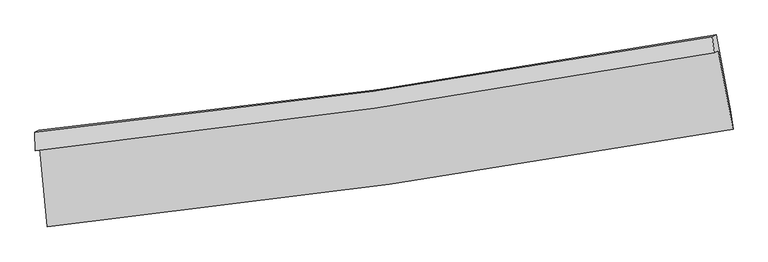
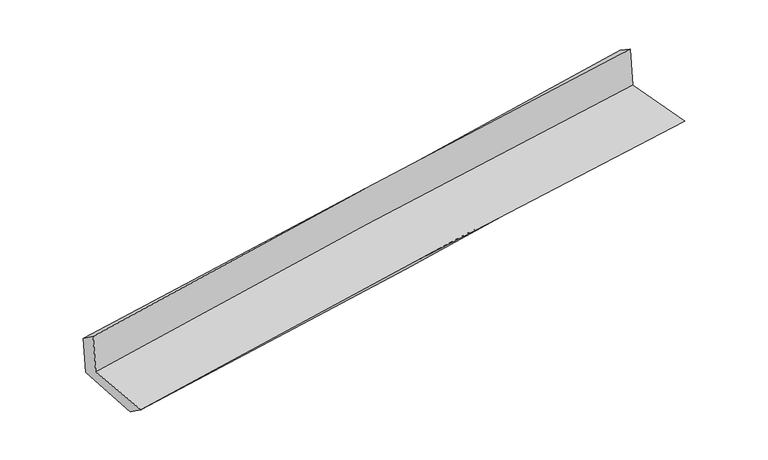
"""IFC4 building model written with IfcOpenShell, lengths in millimetres: proxy geometry."""

from ifc_helpers import new_model, si_unit, frame, origin, place, context, project, spatial, source, transform, mapped, element, save
from ifc_brep_helpers import plane_surface, spline_curve, spline_surface, advanced_brep


def generic_models_331524e2(model_context):
    return source(origin(), model_context, "Body", "AdvancedBrep", [
        advanced_brep(
        [(-2908.9115132, -1897.9120766, 1639.0210043), (-2844.5602164, -2558.9879138, 1620.2476035), (2992.5945083, -1730.9503548, 2089.7820649), (2867.7478197, -1063.1884995, 2103.2627883), (-2944.4835035, -1915.4520921, 2031.7020039), (2831.7102478, -1080.9580863, 2501.083367), (-2948.5265485, -1754.6164509, 1913.7868397), (2814.7524397, -943.1323691, 2414.7354687), (-2914.4954454, -1739.7481612, 1540.0243896), (2849.3980906, -928.0435976, 2036.0124499), (-2849.4570819, -2386.5143275, 1499.7197901), (2974.7475673, -1586.544078, 2000.1154279)],
        [
            (0, 1),
            (1, 2, spline_curve(3, [(-2844.5602164, -2558.9879138, 1620.2476035), (-1873.108316029, -2457.500340004, 1749.246185105), (-901.997926535, -2337.940724381, 1852.843950984), (1043.723265094, -2062.084299822, 2009.574834545), (2018.331116979, -1905.631395754, 2062.488555705), (2992.5945083, -1730.9503548, 2089.7820649)], [4, 2, 4], [0.0, 9.638228786044953, 19.317992578573964])),
            (2, 3),
            (3, 0, spline_curve(3, [(2867.7478197, -1063.1884995, 2103.2627883), (1903.504963416, -1236.860911971, 2076.928178125), (938.959590852, -1393.37015292, 2024.935830561), (-986.596110478, -1671.464369876, 1869.968851652), (-1947.603848947, -1793.196321361, 1767.213937605), (-2908.9115132, -1897.9120766, 1639.0210043)], [4, 2, 4], [0.0, 9.67976379252901, 19.317992578573964])),
            (4, 0),
            (3, 5),
            (5, 4, spline_curve(3, [(2831.7102478, -1080.9580863, 2501.083367), (1867.680363479, -1254.525485343, 2472.397749452), (903.28021327, -1410.963119309, 2418.802284083), (-1022.120874326, -1688.981098803, 2262.128516442), (-1983.118641372, -1810.708133421, 2159.263527637), (-2944.4835035, -1915.4520921, 2031.7020039)], [4, 2, 4], [0.0, 9.630876138457007, 19.220427043010403])),
            (6, 4),
            (5, 7),
            (7, 6, spline_curve(3, [(2814.7524397, -943.1323691, 2414.7354687), (1856.296492575, -1118.06614766, 2349.898158818), (895.758181955, -1273.259754582, 2275.623781988), (-1025.352646362, -1543.585405163, 2108.560092181), (-1985.907331724, -1658.886492568, 2015.851592862), (-2948.5265485, -1754.6164509, 1913.7868397)], [4, 2, 4], [0.0, 9.61803230436528, 19.19479448657799])),
            (8, 6),
            (7, 9),
            (9, 8, spline_curve(3, [(2849.3980906, -928.0435976, 2036.0124499), (1891.598190442, -1102.684452576, 1963.688664511), (931.335765499, -1257.750364896, 1886.09425806), (-989.983167466, -1528.15092439, 1720.719770011), (-1951.018587823, -1643.653200096, 1632.984823148), (-2914.4954454, -1739.7481612, 1540.0243896)], [4, 2, 4], [0.0, 9.606181013451495, 19.171142757586864])),
            (10, 8),
            (9, 11),
            (11, 10, spline_curve(3, [(2974.7475673, -1586.544078, 2000.1154279), (2007.122602939, -1762.958430868, 1926.823283897), (1036.910646681, -1917.927116547, 1848.376860058), (-904.513056416, -2184.400218242, 1681.534175735), (-1875.70264969, -2296.088282552, 1593.18205373), (-2849.4570819, -2386.5143275, 1499.7197901)], [4, 2, 4], [0.0, 9.654288916755469, 19.26715213745564])),
            (1, 10),
            (11, 2),
        ],
        [
            spline_surface(3, 3, [[(-2908.9115132, -1897.9120766, 1639.0210043), (-1947.603848933, -1793.196321382, 1767.213937596), (-986.596110585, -1671.464369933, 1869.968851584), (938.959590959, -1393.370152863, 2024.935830629), (1903.504963568, -1236.860911915, 2076.928178015), (2867.7478197, -1063.1884995, 2103.2627883)], [(-2887.461080917, -2118.270689016, 1632.763204012), (-1922.772004609, -2014.630994246, 1761.224686697), (-958.396715857, -1893.623154771, 1864.260551378), (973.880815609, -1616.2748685, 2019.815498586), (1941.780348009, -1459.784406467, 2072.114970556), (2909.363382565, -1285.77578458, 2098.769213844)], [(-2866.010648683, -2338.629301384, 1626.505403788), (-1897.940160332, -2236.065667062, 1755.235435864), (-930.197321104, -2115.7819396, 1858.552251203), (1008.802040285, -1839.179584128, 2014.695166575), (1980.055732455, -1682.70790108, 2067.301763066), (2950.978945435, -1508.36306972, 2094.275639356)], [(-2844.5602164, -2558.9879138, 1620.2476035), (-1873.108316007, -2457.500339927, 1749.246184965), (-901.997926376, -2337.940724438, 1852.843950998), (1043.723264935, -2062.084299765, 2009.574834531), (2018.331116896, -1905.631395631, 2062.488555607), (2992.5945083, -1730.9503548, 2089.7820649)]], [4, 4], [4, 2, 4], [0.0, 2.2128680753390677], [0.0, 9.638228786044953, 19.317992578573964]),
            spline_surface(3, 3, [[(-2944.4835035, -1915.4520921, 2031.7020039), (-1983.118641411, -1810.708133493, 2159.263527548), (-1022.120874444, -1688.981098739, 2262.128516451), (903.280213389, -1410.963119373, 2418.802284074), (1867.680363533, -1254.525485479, 2472.397749528), (2831.7102478, -1080.9580863, 2501.083367)], [(-2932.626173403, -1909.60542027, 1900.808337364), (-1971.280377255, -1804.870862792, 2028.580330895), (-1010.279286485, -1683.142189121, 2131.408628168), (915.173339252, -1405.098797187, 2287.513466265), (1879.621896886, -1248.637294285, 2340.574558996), (2843.722771774, -1075.034890694, 2368.476507406)], [(-2920.768843297, -1903.75874843, 1769.914670836), (-1959.442113089, -1799.033592082, 1897.897134249), (-998.437698544, -1677.303279551, 2000.688739868), (927.066465096, -1399.234475049, 2156.224648439), (1891.563430216, -1242.749103109, 2208.751368546), (2855.735295726, -1069.111695106, 2235.869647894)], [(-2908.9115132, -1897.9120766, 1639.0210043), (-1947.603848933, -1793.196321382, 1767.213937596), (-986.596110585, -1671.464369933, 1869.968851584), (938.959590959, -1393.370152863, 2024.935830629), (1903.504963568, -1236.860911915, 2076.928178015), (2867.7478197, -1063.1884995, 2103.2627883)]], [4, 4], [4, 2, 4], [0.0, 1.29598519318524], [0.0, 9.589550904553397, 19.220427043010403]),
            spline_surface(3, 3, [[(-2948.5265485, -1754.6164509, 1913.7868397), (-1985.907331735, -1658.886492453, 2015.851592755), (-1025.352646299, -1543.585405248, 2108.56009217), (895.758181892, -1273.259754497, 2275.623782), (1856.29649254, -1118.066147793, 2349.898158883), (2814.7524397, -943.1323691, 2414.7354687)], [(-2947.178866833, -1808.228331281, 1953.091894448), (-1984.977768294, -1709.493706113, 2063.655571034), (-1024.27538903, -1592.050636417, 2159.749566951), (898.265525708, -1319.160876128, 2323.349949378), (1860.091116207, -1163.552593705, 2390.731355767), (2820.405042402, -989.07427485, 2443.518101469)], [(-2945.831185167, -1861.840211719, 1992.396949152), (-1984.048204852, -1760.100919832, 2111.459549269), (-1023.198131713, -1640.51586757, 2210.93904167), (900.772869572, -1365.061997743, 2371.076116696), (1863.885739866, -1209.039039567, 2431.564552644), (2826.057645098, -1035.01618055, 2472.300734231)], [(-2944.4835035, -1915.4520921, 2031.7020039), (-1983.118641411, -1810.708133493, 2159.263527548), (-1022.120874444, -1688.981098739, 2262.128516451), (903.280213389, -1410.963119373, 2418.802284074), (1867.680363533, -1254.525485479, 2472.397749528), (2831.7102478, -1080.9580863, 2501.083367)]], [4, 4], [4, 2, 4], [0.0, 0.6729209835289562], [0.0, 9.576762182212711, 19.19479448657799]),
            spline_surface(3, 3, [[(-2914.4954454, -1739.7481612, 1540.0243896), (-1951.018587712, -1643.653200018, 1632.984823007), (-989.983167454, -1528.150924429, 1720.719770074), (931.335765486, -1257.750364857, 1886.094257996), (1891.598190573, -1102.684452524, 1963.688664364), (2849.3980906, -928.0435976, 2036.0124499)], [(-2925.839146445, -1744.704257792, 1664.611872953), (-1962.648169064, -1648.730964188, 1760.607079576), (-1001.772993735, -1533.295751369, 1849.999877418), (919.476570955, -1262.920161404, 2015.937432642), (1879.830957882, -1107.811684266, 2092.425162542), (2837.849540287, -933.073188085, 2162.253456171)], [(-2937.182847455, -1749.660354308, 1789.199356347), (-1974.277750383, -1653.808728282, 1888.229336186), (-1013.562820017, -1538.440578309, 1979.279984826), (907.617376423, -1268.089957951, 2145.780607353), (1868.063725231, -1112.938916051, 2221.161660706), (2826.300990013, -938.102778615, 2288.494462429)], [(-2948.5265485, -1754.6164509, 1913.7868397), (-1985.907331735, -1658.886492453, 2015.851592755), (-1025.352646299, -1543.585405248, 2108.56009217), (895.758181892, -1273.259754497, 2275.623782), (1856.29649254, -1118.066147793, 2349.898158883), (2814.7524397, -943.1323691, 2414.7354687)]], [4, 4], [4, 2, 4], [0.0, 1.2815304015498339], [0.0, 9.564961744135369, 19.171142757586864]),
            spline_surface(3, 3, [[(-2849.4570819, -2386.5143275, 1499.7197901), (-1875.70264983, -2296.088282447, 1593.182053768), (-904.513056483, -2184.400218288, 1681.534175818), (1036.910646748, -1917.927116501, 1848.376859974), (2007.122603091, -1762.958430831, 1926.823283839), (2974.7475673, -1586.544078, 2000.1154279)], [(-2871.136536377, -2170.925605396, 1513.154656616), (-1900.807962435, -2078.609921633, 1606.449643531), (-933.003093457, -1965.650453663, 1694.596040578), (1001.719019677, -1697.868199281, 1860.949325989), (1968.614465579, -1542.867104755, 1939.11174402), (2932.964408394, -1367.043917893, 2012.081101906)], [(-2892.815990923, -1955.336883304, 1526.589523084), (-1925.913275107, -1861.131560831, 1619.717233245), (-961.49313048, -1746.900689054, 1707.657905314), (966.527392557, -1477.809282078, 1873.52179198), (1930.106328085, -1322.7757786, 1951.400204183), (2891.181249506, -1147.543757707, 2024.046775894)], [(-2914.4954454, -1739.7481612, 1540.0243896), (-1951.018587712, -1643.653200018, 1632.984823007), (-989.983167454, -1528.150924429, 1720.719770074), (931.335765486, -1257.750364857, 1886.094257996), (1891.598190573, -1102.684452524, 1963.688664364), (2849.3980906, -928.0435976, 2036.0124499)]], [4, 4], [4, 2, 4], [0.0, 2.185804143410573], [0.0, 9.61286322070017, 19.26715213745564]),
            spline_surface(3, 3, [[(-2844.5602164, -2558.9879138, 1620.2476035), (-1873.108316007, -2457.500339927, 1749.246184965), (-901.997926376, -2337.940724438, 1852.843950998), (1043.723264935, -2062.084299765, 2009.574834531), (2018.331116896, -1905.631395631, 2062.488555607), (2992.5945083, -1730.9503548, 2089.7820649)], [(-2846.192504924, -2501.496718345, 1580.071665707), (-1873.973093972, -2403.696320746, 1697.224807907), (-902.836303077, -2286.760555735, 1795.740692603), (1041.452392207, -2014.031905357, 1955.842176344), (2014.594945639, -1858.073740696, 2017.266798355), (2986.645527978, -1682.814929198, 2059.893185904)], [(-2847.824793376, -2444.005522955, 1539.895727893), (-1874.837871865, -2349.892301628, 1645.203430826), (-903.674679783, -2235.580386991, 1738.637434213), (1039.181519475, -1965.979510909, 1902.109518162), (2010.858774348, -1810.516085766, 1972.045041091), (2980.696547622, -1634.679503602, 2030.004306896)], [(-2849.4570819, -2386.5143275, 1499.7197901), (-1875.70264983, -2296.088282447, 1593.182053768), (-904.513056483, -2184.400218288, 1681.534175818), (1036.910646748, -1917.927116501, 1848.376859974), (2007.122603091, -1762.958430831, 1926.823283839), (2974.7475673, -1586.544078, 2000.1154279)]], [4, 4], [4, 2, 4], [0.0, 0.7321850683321933], [0.0, 9.673069511582787, 19.387824172356684]),
            plane_surface(frame((2888.4917789, -1222.1361642, 2190.8319278), z_axis=(0.9787078019383554, 0.1810289666355519, 0.0967447758995661), x_axis=(-0.0910281692855024, -0.039644319132105574, 0.995058892908898))),
            plane_surface(frame((-2901.7390515, -2042.2051703, 1707.4169385), z_axis=(-0.9911446816203512, -0.09381253873624948, -0.09397567595688014), x_axis=(-0.09684666591164463, 0.9948982209944921, 0.028253374378880175))),
        ],
        [
            (0, [[1, 2, 3, 4]]),
            (1, [[5, -4, 6, 7]]),
            (2, [[8, -7, 9, 10]]),
            (3, [[11, -10, 12, 13]]),
            (4, [[14, -13, 15, 16]]),
            (5, [[17, -16, 18, -2]]),
            (6, [[-12, -9, -6, -3, -18, -15]]),
            (7, [[-1, -5, -8, -11, -14, -17]]),
        ],
    ),
    ])


if __name__ == "__main__":
    model = new_model("IFC4")
    model_context = context("Model", 3, world=origin())
    ifc_project = project(units=[si_unit("LENGTHUNIT", "METRE", prefix="MILLI")], contexts=[model_context])
    site = spatial("IfcSite", under=ifc_project)
    building = spatial("IfcBuilding", under=site)
    placement = place(None, origin())
    generic_models_shape = generic_models_331524e2(model_context)
    element("IfcBuildingElementProxy", 1, Name="Generic Models", at=placement, inside=building, context=model_context, shape_type="MappedRepresentation", body=[
        mapped(generic_models_shape, transform((0.0, 0.0, 0.0), x_axis=(1.0, 0.0, 0.0), y_axis=(0.0, 1.0, 0.0), z_axis=(0.0, 0.0, 1.0))),
    ])
    save(model, "model.ifc")
